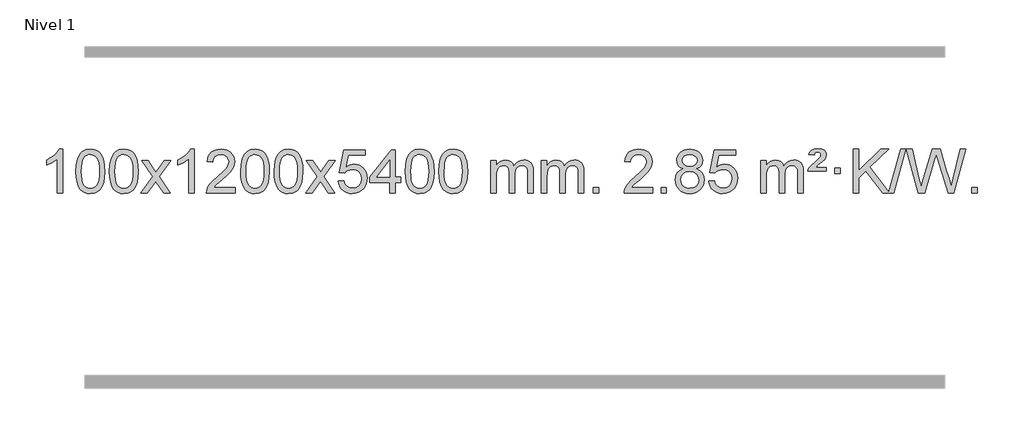
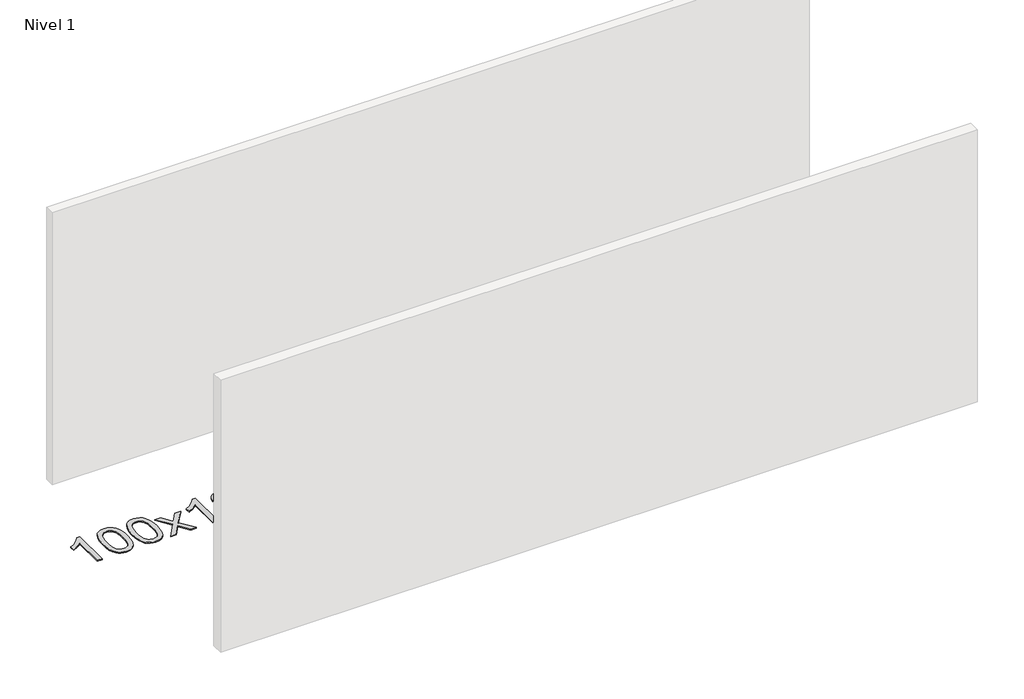
# One storey, part 5 of 10: 1 proxy.
"""IFC4 building model written with IfcOpenShell, lengths in millimetres."""

from ifc_helpers import new_model, si_unit, origin, origin_with_axes, place, context, project, spatial, polyline, outline, extrude, element, save

model = new_model("IFC4")

# Units and contexts
model_context = context("Model", 3, world=origin())
ifc_project = project(units=[si_unit("LENGTHUNIT", "METRE", prefix="MILLI")], contexts=[model_context])

# Site, building, storey
site = spatial("IfcSite", under=ifc_project)
building = spatial("IfcBuilding", under=site)
storey = spatial("IfcBuildingStorey", under=building, Name="Nivel 1", Elevation=0.0)

# Proxy
placement = place(None, origin())
element("IfcBuildingElementProxy", 1, Name="Texto de modelo 1", ObjectType="Texto de modelo 1", at=placement, inside=storey, context=model_context, shape_type="SweptSolid", body=[
    extrude(outline(polyline([(-429.2853037, -9420.579453), (-479.5134588, -9420.579453), (-479.5134588, -9107.4382987), (-500.4827325, -9124.3976587), (-527.0928635, -9141.3324932), (-579.9697689, -9166.6918254), (-579.9697689, -9119.2105225), (-540.5205563, -9097.7507395), (-506.3443189, -9072.219729), (-479.4030942, -9045.0700378), (-461.6589193, -9018.7542124), (-429.2853037, -9018.7542124), (-429.2853037, -9420.579453)])), origin_with_axes(), (0.0, 0.0, 1.0), 10.0),
    extrude(outline(polyline([(-309.9934354, -9222.9041943), (-306.3023527, -9158.5861588), (-295.2291046, -9107.2911459), (-276.8840558, -9068.2343407), (-265.0259928, -9053.0009605), (-251.3775708, -9040.6309284), (-235.8928045, -9031.0598651), (-218.5257086, -9024.2233914), (-178.1445283, -9018.7542124), (-147.1933898, -9021.991574), (-119.4796128, -9031.7036586), (-96.3030471, -9047.5103217), (-78.9635424, -9069.0314184), (-65.8669434, -9096.0830078), (-55.4190947, -9128.4811488), (-48.5764896, -9169.6226186), (-46.2956212, -9222.9041943), (-49.9499157, -9286.8543477), (-60.9127992, -9338.0267333), (-79.1474834, -9377.1203266), (-90.9779552, -9392.3996922), (-104.6171802, -9404.8341036), (-120.1203406, -9414.4695462), (-137.5426188, -9421.3520052), (-178.1445283, -9426.8579724), (-205.8092543, -9424.4667394), (-230.3347207, -9417.2930405), (-251.7209273, -9405.3368757), (-269.9678743, -9388.5982449), (-287.4790573, -9358.3399508), (-299.9870451, -9320.6381776), (-307.4918378, -9275.4929255), (-309.9934354, -9222.9041943)]), holes=[polyline([(-259.7652803, -9222.8060924), (-258.2937523, -9266.4706195), (-253.8791684, -9301.8148822), (-246.5215285, -9328.8388804), (-236.2208326, -9347.5426142), (-223.7618957, -9360.2682656), (-209.9295327, -9369.3580165), (-194.7237436, -9374.8118671), (-178.1445283, -9376.6298173), (-161.5653131, -9374.8057357), (-146.3595239, -9369.3334911), (-132.5271609, -9360.2130833), (-120.068224, -9347.4445124), (-109.7675281, -9328.7101217), (-102.4098882, -9301.6922549), (-97.9953043, -9266.3909118), (-96.5237763, -9222.8060924), (-97.9462534, -9180.2973278), (-102.2136845, -9145.5753989), (-109.3260697, -9118.6403055), (-119.2834091, -9099.4920476), (-131.5338795, -9086.1440625), (-145.5256581, -9076.6097875), (-161.2587447, -9070.8892225), (-178.7331395, -9068.9823675), (-195.2265156, -9070.6623619), (-210.1747874, -9075.7023452), (-223.5779547, -9084.1023175), (-235.4360177, -9095.8622786), (-246.0800701, -9116.708925), (-253.6829647, -9144.8151094), (-258.2447014, -9180.1808319), (-259.7652803, -9222.8060924)])]), origin_with_axes(), (0.0, 0.0, 1.0), 10.0),
    extrude(outline(polyline([(-2.3459855, -9222.9041943), (1.3450971, -9158.5861588), (12.4183452, -9107.2911459), (30.763394, -9068.2343407), (42.621457, -9053.0009605), (56.269879, -9040.6309284), (71.7546453, -9031.0598651), (89.1217412, -9024.2233914), (129.5029215, -9018.7542124), (160.4540601, -9021.991574), (188.167837, -9031.7036586), (211.3444027, -9047.5103217), (228.6839074, -9069.0314184), (241.7805065, -9096.0830078), (252.2283551, -9128.4811488), (259.0709602, -9169.6226186), (261.3518286, -9222.9041943), (257.6975341, -9286.8543477), (246.7346507, -9338.0267333), (228.4999664, -9377.1203266), (216.6694946, -9392.3996922), (203.0302696, -9404.8341036), (187.5271092, -9414.4695462), (170.1048311, -9421.3520052), (129.5029215, -9426.8579724), (101.8381955, -9424.4667394), (77.3127291, -9417.2930405), (55.9265225, -9405.3368757), (37.6795755, -9388.5982449), (20.1683926, -9358.3399508), (7.6604047, -9320.6381776), (0.155612, -9275.4929255), (-2.3459855, -9222.9041943)]), holes=[polyline([(47.8821695, -9222.8060924), (49.3536975, -9266.4706195), (53.7682815, -9301.8148822), (61.1259214, -9328.8388804), (71.4266172, -9347.5426142), (83.8855541, -9360.2682656), (97.7179171, -9369.3580165), (112.9237063, -9374.8118671), (129.5029215, -9376.6298173), (146.0821368, -9374.8057357), (161.2879259, -9369.3334911), (175.1202889, -9360.2130833), (187.5792258, -9347.4445124), (197.8799217, -9328.7101217), (205.2375616, -9301.6922549), (209.6521455, -9266.3909118), (211.1236735, -9222.8060924), (209.7011965, -9180.2973278), (205.4337653, -9145.5753989), (198.3213801, -9118.6403055), (188.3640408, -9099.4920476), (176.1135703, -9086.1440625), (162.1217918, -9076.6097875), (146.3887051, -9070.8892225), (128.9143103, -9068.9823675), (112.4209342, -9070.6623619), (97.4726625, -9075.7023452), (84.0694951, -9084.1023175), (72.2114321, -9095.8622786), (61.5673797, -9116.708925), (53.9644852, -9144.8151094), (49.4027484, -9180.1808319), (47.8821695, -9222.8060924)])]), origin_with_axes(), (0.0, 0.0, 1.0), 10.0),
    extrude(outline(polyline([(286.4659061, -9420.579453), (393.7893469, -9272.2494325), (292.7444255, -9125.4890419), (353.1751746, -9125.4890419), (401.9318017, -9196.122385), (424.6914345, -9229.4770192), (444.4099094, -9202.2047007), (499.9355652, -9125.4890419), (560.3663143, -9125.4890419), (454.2200959, -9272.2494325), (556.4422397, -9420.579453), (496.0114906, -9420.579453), (434.501621, -9331.4048574), (423.2199065, -9315.1199477), (346.8966552, -9420.579453), (286.4659061, -9420.579453)])), origin_with_axes(), (0.0, 0.0, 1.0), 10.0),
    extrude(outline(polyline([(776.1904181, -9420.579453), (725.962263, -9420.579453), (725.962263, -9107.4382987), (704.9929893, -9124.3976587), (678.3828583, -9141.3324932), (625.5059529, -9166.6918254), (625.5059529, -9119.2105225), (664.9551655, -9097.7507395), (699.1314029, -9072.219729), (726.0726276, -9045.0700378), (743.8168025, -9018.7542124), (776.1904181, -9018.7542124), (776.1904181, -9420.579453)])), origin_with_axes(), (0.0, 0.0, 1.0), 10.0),
    extrude(outline(polyline([(1152.9015812, -9370.3512979), (1152.9015812, -9420.579453), (889.203767, -9420.579453), (890.307413, -9402.8965918), (894.5993696, -9385.9494945), (906.9847301, -9358.8856424), (925.1090498, -9332.6311307), (951.3267733, -9305.1503456), (987.9923455, -9274.4076736), (1042.1936261, -9226.2641831), (1074.7143945, -9190.7267824), (1090.9747787, -9161.884834), (1096.3949067, -9133.8277005), (1091.281347, -9108.6768347), (1075.9406678, -9087.7688747), (1052.3594319, -9073.6789943), (1022.5242021, -9068.9823675), (991.1929188, -9073.5686297), (966.8513935, -9087.3274163), (951.1428323, -9109.1796068), (945.7104415, -9138.0460807), (895.4822864, -9131.7675613), (899.8018342, -9105.838012), (907.6591805, -9083.1826125), (919.0543253, -9063.8013627), (933.9872686, -9047.6942627), (952.1146539, -9035.0329907), (973.0931247, -9025.989225), (996.9226809, -9020.5629655), (1023.6033226, -9018.7542124), (1050.5230876, -9020.7653006), (1074.4814025, -9026.7985654), (1095.4782674, -9036.8540066), (1113.5136822, -9050.9316242), (1127.9990358, -9067.9890861), (1138.3457169, -9086.9840598), (1144.5537256, -9107.9165453), (1146.6230618, -9130.7865427), (1144.3912444, -9154.8092369), (1137.695792, -9178.4149983), (1125.8132036, -9202.4254299), (1108.0199778, -9227.6621347), (1079.6562759, -9257.7916701), (1036.0622595, -9296.4805933), (978.2802608, -9344.795762), (955.6187299, -9370.3512979), (1152.9015812, -9370.3512979)])), origin_with_axes(), (0.0, 0.0, 1.0), 10.0),
    extrude(outline(polyline([(1203.1297362, -9222.9041943), (1206.8208189, -9158.5861588), (1217.894067, -9107.2911459), (1236.2391158, -9068.2343407), (1248.0971788, -9053.0009605), (1261.7456008, -9040.6309284), (1277.2303671, -9031.0598651), (1294.597463, -9024.2233914), (1334.9786433, -9018.7542124), (1365.9297818, -9021.991574), (1393.6435588, -9031.7036586), (1416.8201245, -9047.5103217), (1434.1596292, -9069.0314184), (1447.2562282, -9096.0830078), (1457.7040769, -9128.4811488), (1464.546682, -9169.6226186), (1466.8275504, -9222.9041943), (1463.1732559, -9286.8543477), (1452.2103725, -9338.0267333), (1433.9756882, -9377.1203266), (1422.1452164, -9392.3996922), (1408.5059914, -9404.8341036), (1393.002831, -9414.4695462), (1375.5805529, -9421.3520052), (1334.9786433, -9426.8579724), (1307.3139173, -9424.4667394), (1282.7884509, -9417.2930405), (1261.4022443, -9405.3368757), (1243.1552973, -9388.5982449), (1225.6441144, -9358.3399508), (1213.1361265, -9320.6381776), (1205.6313338, -9275.4929255), (1203.1297362, -9222.9041943)]), holes=[polyline([(1253.3578913, -9222.8060924), (1254.8294193, -9266.4706195), (1259.2440032, -9301.8148822), (1266.6016432, -9328.8388804), (1276.902339, -9347.5426142), (1289.3612759, -9360.2682656), (1303.1936389, -9369.3580165), (1318.3994281, -9374.8118671), (1334.9786433, -9376.6298173), (1351.5578586, -9374.8057357), (1366.7636477, -9369.3334911), (1380.5960107, -9360.2130833), (1393.0549476, -9347.4445124), (1403.3556435, -9328.7101217), (1410.7132834, -9301.6922549), (1415.1278673, -9266.3909118), (1416.5993953, -9222.8060924), (1415.1769183, -9180.2973278), (1410.9094871, -9145.5753989), (1403.7971019, -9118.6403055), (1393.8397625, -9099.4920476), (1381.5892921, -9086.1440625), (1367.5975136, -9076.6097875), (1351.8644269, -9070.8892225), (1334.3900321, -9068.9823675), (1317.896656, -9070.6623619), (1302.9483843, -9075.7023452), (1289.5452169, -9084.1023175), (1277.6871539, -9095.8622786), (1267.0431015, -9116.708925), (1259.440207, -9144.8151094), (1254.8784702, -9180.1808319), (1253.3578913, -9222.8060924)])]), origin_with_axes(), (0.0, 0.0, 1.0), 10.0),
    extrude(outline(polyline([(1510.7771861, -9222.9041943), (1514.4682688, -9158.5861588), (1525.5415168, -9107.2911459), (1543.8865656, -9068.2343407), (1555.7446286, -9053.0009605), (1569.3930506, -9040.6309284), (1584.877817, -9031.0598651), (1602.2449128, -9024.2233914), (1642.6260932, -9018.7542124), (1673.5772317, -9021.991574), (1701.2910087, -9031.7036586), (1724.4675743, -9047.5103217), (1741.8070791, -9069.0314184), (1754.9036781, -9096.0830078), (1765.3515267, -9128.4811488), (1772.1941319, -9169.6226186), (1774.4750002, -9222.9041943), (1770.8207057, -9286.8543477), (1759.8578223, -9338.0267333), (1741.6231381, -9377.1203266), (1729.7926662, -9392.3996922), (1716.1534413, -9404.8341036), (1700.6502808, -9414.4695462), (1683.2280027, -9421.3520052), (1642.6260932, -9426.8579724), (1614.9613671, -9424.4667394), (1590.4359008, -9417.2930405), (1569.0496941, -9405.3368757), (1550.8027472, -9388.5982449), (1533.2915642, -9358.3399508), (1520.7835764, -9320.6381776), (1513.2787836, -9275.4929255), (1510.7771861, -9222.9041943)]), holes=[polyline([(1561.0053412, -9222.8060924), (1562.4768691, -9266.4706195), (1566.8914531, -9301.8148822), (1574.249093, -9328.8388804), (1584.5497888, -9347.5426142), (1597.0087258, -9360.2682656), (1610.8410888, -9369.3580165), (1626.0468779, -9374.8118671), (1642.6260932, -9376.6298173), (1659.2053084, -9374.8057357), (1674.4110975, -9369.3334911), (1688.2434606, -9360.2130833), (1700.7023975, -9347.4445124), (1711.0030933, -9328.7101217), (1718.3607332, -9301.6922549), (1722.7753172, -9266.3909118), (1724.2468452, -9222.8060924), (1722.8243681, -9180.2973278), (1718.556937, -9145.5753989), (1711.4445517, -9118.6403055), (1701.4872124, -9099.4920476), (1689.2367419, -9086.1440625), (1675.2449634, -9076.6097875), (1659.5118767, -9070.8892225), (1642.037482, -9068.9823675), (1625.5441058, -9070.6623619), (1610.5958341, -9075.7023452), (1597.1926667, -9084.1023175), (1585.3346038, -9095.8622786), (1574.6905514, -9116.708925), (1567.0876568, -9144.8151094), (1562.5259201, -9180.1808319), (1561.0053412, -9222.8060924)])]), origin_with_axes(), (0.0, 0.0, 1.0), 10.0),
    extrude(outline(polyline([(1799.5890778, -9420.579453), (1906.9125185, -9272.2494325), (1805.8675971, -9125.4890419), (1866.2983462, -9125.4890419), (1915.0549733, -9196.122385), (1937.8146061, -9229.4770192), (1957.533081, -9202.2047007), (2013.0587368, -9125.4890419), (2073.4894859, -9125.4890419), (1967.3432676, -9272.2494325), (2069.5654113, -9420.579453), (2009.1346622, -9420.579453), (1947.6247926, -9331.4048574), (1936.3430781, -9315.1199477), (1860.0198268, -9420.579453), (1799.5890778, -9420.579453)])), origin_with_axes(), (0.0, 0.0, 1.0), 10.0),
    extrude(outline(polyline([(2100.9580082, -9313.8446235), (2151.1861633, -9307.5661041), (2160.4077386, -9337.7201649), (2176.4964446, -9359.3148381), (2199.3787047, -9372.3010725), (2228.9809425, -9376.6298173), (2248.1108063, -9375.1245668), (2264.9843271, -9370.6088153), (2279.6015051, -9363.0825628), (2291.9623401, -9352.5458094), (2301.7909207, -9339.519721), (2308.8113355, -9324.5254641), (2314.4276673, -9288.6324441), (2309.1669547, -9254.8363514), (2302.5910641, -9240.9181493), (2293.3848172, -9228.9865099), (2281.5175571, -9219.4154467), (2266.9586272, -9212.5789729), (2229.7657575, -9207.1097939), (2205.3997066, -9209.2925604), (2185.668969, -9215.8408599), (2169.9113568, -9225.8717757), (2157.4646827, -9238.5023908), (2107.2365276, -9232.2238715), (2151.1861633, -9025.0327318), (2345.8202642, -9025.0327318), (2345.8202642, -9075.2608869), (2191.8003356, -9075.2608869), (2170.316027, -9185.919791), (2188.0418078, -9173.2155994), (2206.1967843, -9164.1411769), (2224.7809564, -9158.6965234), (2243.7943242, -9156.8816388), (2268.2554112, -9159.1318504), (2290.7238041, -9165.882485), (2311.1995028, -9177.1335427), (2329.6825073, -9192.8850234), (2344.9833327, -9212.1743027), (2355.9124936, -9234.038756), (2362.4699902, -9258.4783832), (2364.6558224, -9285.4931844), (2362.6876537, -9311.5147042), (2356.7831477, -9335.7213394), (2346.9423043, -9358.1130902), (2333.1651236, -9378.6899565), (2312.2939517, -9399.7634634), (2287.9401636, -9414.8159684), (2260.1037593, -9423.8474714), (2228.7847388, -9426.8579724), (2202.8643866, -9424.9235262), (2179.4517632, -9419.1201877), (2158.5468689, -9409.447957), (2140.1497034, -9395.9068338), (2124.8427467, -9379.1712688), (2113.2084787, -9359.915712), (2105.2468991, -9338.1401636), (2100.9580082, -9313.8446235)])), origin_with_axes(), (0.0, 0.0, 1.0), 10.0),
    extrude(outline(polyline([(2571.846962, -9420.579453), (2571.846962, -9326.4016622), (2389.7698999, -9326.4016622), (2389.7698999, -9276.1735072), (2584.4040008, -9025.0327318), (2622.0751171, -9025.0327318), (2622.0751171, -9276.1735072), (2672.3032722, -9276.1735072), (2672.3032722, -9326.4016622), (2622.0751171, -9326.4016622), (2622.0751171, -9420.579453), (2571.846962, -9420.579453)]), holes=[polyline([(2571.846962, -9276.1735072), (2571.846962, -9120.9763561), (2451.5740751, -9276.1735072), (2571.846962, -9276.1735072)])]), origin_with_axes(), (0.0, 0.0, 1.0), 10.0),
    extrude(outline(polyline([(2716.2529079, -9222.9041943), (2719.9439906, -9158.5861588), (2731.0172386, -9107.2911459), (2749.3622874, -9068.2343407), (2761.2203504, -9053.0009605), (2774.8687724, -9040.6309284), (2790.3535388, -9031.0598651), (2807.7206346, -9024.2233914), (2848.1018149, -9018.7542124), (2879.0529535, -9021.991574), (2906.7667304, -9031.7036586), (2929.9432961, -9047.5103217), (2947.2828008, -9069.0314184), (2960.3793999, -9096.0830078), (2970.8272485, -9128.4811488), (2977.6698537, -9169.6226186), (2979.950722, -9222.9041943), (2976.2964275, -9286.8543477), (2965.3335441, -9338.0267333), (2947.0988599, -9377.1203266), (2935.268388, -9392.3996922), (2921.6291631, -9404.8341036), (2906.1260026, -9414.4695462), (2888.7037245, -9421.3520052), (2848.1018149, -9426.8579724), (2820.4370889, -9424.4667394), (2795.9116226, -9417.2930405), (2774.5254159, -9405.3368757), (2756.278469, -9388.5982449), (2738.767286, -9358.3399508), (2726.2592981, -9320.6381776), (2718.7545054, -9275.4929255), (2716.2529079, -9222.9041943)]), holes=[polyline([(2766.481063, -9222.8060924), (2767.9525909, -9266.4706195), (2772.3671749, -9301.8148822), (2779.7248148, -9328.8388804), (2790.0255106, -9347.5426142), (2802.4844475, -9360.2682656), (2816.3168106, -9369.3580165), (2831.5225997, -9374.8118671), (2848.1018149, -9376.6298173), (2864.6810302, -9374.8057357), (2879.8868193, -9369.3334911), (2893.7191824, -9360.2130833), (2906.1781193, -9347.4445124), (2916.4788151, -9328.7101217), (2923.836455, -9301.6922549), (2928.251039, -9266.3909118), (2929.7225669, -9222.8060924), (2928.3000899, -9180.2973278), (2924.0326588, -9145.5753989), (2916.9202735, -9118.6403055), (2906.9629342, -9099.4920476), (2894.7124637, -9086.1440625), (2880.7206852, -9076.6097875), (2864.9875985, -9070.8892225), (2847.5132038, -9068.9823675), (2831.0198276, -9070.6623619), (2816.0715559, -9075.7023452), (2802.6683885, -9084.1023175), (2790.8103256, -9095.8622786), (2780.1662732, -9116.708925), (2772.5633786, -9144.8151094), (2768.0016419, -9180.1808319), (2766.481063, -9222.8060924)])]), origin_with_axes(), (0.0, 0.0, 1.0), 10.0),
    extrude(outline(polyline([(3023.9003577, -9222.9041943), (3027.5914404, -9158.5861588), (3038.6646885, -9107.2911459), (3057.0097373, -9068.2343407), (3068.8678003, -9053.0009605), (3082.5162223, -9040.6309284), (3098.0009886, -9031.0598651), (3115.3680844, -9024.2233914), (3155.7492648, -9018.7542124), (3186.7004033, -9021.991574), (3214.4141803, -9031.7036586), (3237.590746, -9047.5103217), (3254.9302507, -9069.0314184), (3268.0268497, -9096.0830078), (3278.4746984, -9128.4811488), (3285.3173035, -9169.6226186), (3287.5981719, -9222.9041943), (3283.9438774, -9286.8543477), (3272.9809939, -9338.0267333), (3254.7463097, -9377.1203266), (3242.9158379, -9392.3996922), (3229.2766129, -9404.8341036), (3213.7734525, -9414.4695462), (3196.3511743, -9421.3520052), (3155.7492648, -9426.8579724), (3128.0845387, -9424.4667394), (3103.5590724, -9417.2930405), (3082.1728657, -9405.3368757), (3063.9259188, -9388.5982449), (3046.4147358, -9358.3399508), (3033.906748, -9320.6381776), (3026.4019553, -9275.4929255), (3023.9003577, -9222.9041943)]), holes=[polyline([(3074.1285128, -9222.8060924), (3075.6000408, -9266.4706195), (3080.0146247, -9301.8148822), (3087.3722646, -9328.8388804), (3097.6729605, -9347.5426142), (3110.1318974, -9360.2682656), (3123.9642604, -9369.3580165), (3139.1700495, -9374.8118671), (3155.7492648, -9376.6298173), (3172.32848, -9374.8057357), (3187.5342692, -9369.3334911), (3201.3666322, -9360.2130833), (3213.8255691, -9347.4445124), (3224.126265, -9328.7101217), (3231.4839049, -9301.6922549), (3235.8984888, -9266.3909118), (3237.3700168, -9222.8060924), (3235.9475397, -9180.2973278), (3231.6801086, -9145.5753989), (3224.5677233, -9118.6403055), (3214.610384, -9099.4920476), (3202.3599136, -9086.1440625), (3188.368135, -9076.6097875), (3172.6350484, -9070.8892225), (3155.1606536, -9068.9823675), (3138.6672775, -9070.6623619), (3123.7190057, -9075.7023452), (3110.3158384, -9084.1023175), (3098.4577754, -9095.8622786), (3087.813723, -9116.708925), (3080.2108284, -9144.8151094), (3075.6490917, -9180.1808319), (3074.1285128, -9222.8060924)])]), origin_with_axes(), (0.0, 0.0, 1.0), 10.0),
    extrude(outline(polyline([(3501.0678309, -9420.579453), (3501.0678309, -9125.4890419), (3551.295986, -9125.4890419), (3551.295986, -9174.0494653), (3566.4036733, -9151.7435537), (3585.8278426, -9134.2691589), (3608.9063064, -9122.9751816), (3634.9768772, -9119.2105225), (3662.9113833, -9123.048758), (3685.3031341, -9134.5634645), (3702.0295022, -9152.9943524), (3712.9678601, -9177.5811324), (3731.2761208, -9152.0439906), (3752.1595554, -9133.803175), (3775.6181639, -9122.8586857), (3801.6519464, -9119.2105225), (3821.7597632, -9120.7280358), (3839.4089019, -9125.2805755), (3854.5993626, -9132.8681416), (3867.3311453, -9143.4907342), (3877.3957836, -9157.2709806), (3884.5848109, -9174.3315082), (3888.8982273, -9194.6723168), (3890.3360328, -9218.2934066), (3890.3360328, -9420.579453), (3840.1078777, -9420.579453), (3840.1078777, -9239.875817), (3838.942918, -9214.8230531), (3835.4480391, -9197.9372695), (3828.8997396, -9186.3735121), (3818.5745182, -9177.2868268), (3805.2939782, -9171.4007149), (3789.8797226, -9169.4386776), (3762.6687177, -9174.4663982), (3740.4854334, -9189.54956), (3731.8800604, -9201.1194488), (3725.7333654, -9215.7182326), (3720.8160094, -9254.0024856), (3720.8160094, -9420.579453), (3670.5878543, -9420.579453), (3670.5878543, -9234.2840106), (3667.6815865, -9205.8835206), (3658.9627833, -9185.6254854), (3643.6221041, -9173.4853796), (3620.8502086, -9169.4386776), (3601.4996156, -9172.1364789), (3583.6696016, -9180.2298828), (3568.9543218, -9193.5226856), (3558.9479315, -9211.8186835), (3553.2089724, -9237.2025411), (3551.295986, -9271.7589232), (3551.295986, -9420.579453), (3501.0678309, -9420.579453)])), origin_with_axes(), (0.0, 0.0, 1.0), 10.0),
    extrude(outline(polyline([(3965.6782654, -9420.579453), (3965.6782654, -9125.4890419), (4015.9064204, -9125.4890419), (4015.9064204, -9174.0494653), (4031.0141077, -9151.7435537), (4050.4382771, -9134.2691589), (4073.5167409, -9122.9751816), (4099.5873116, -9119.2105225), (4127.5218178, -9123.048758), (4149.9135685, -9134.5634645), (4166.6399366, -9152.9943524), (4177.5782946, -9177.5811324), (4195.8865552, -9152.0439906), (4216.7699898, -9133.803175), (4240.2285984, -9122.8586857), (4266.2623809, -9119.2105225), (4286.3701976, -9120.7280358), (4304.0193363, -9125.2805755), (4319.209797, -9132.8681416), (4331.9415798, -9143.4907342), (4342.006218, -9157.2709806), (4349.1952453, -9174.3315082), (4353.5086617, -9194.6723168), (4354.9464672, -9218.2934066), (4354.9464672, -9420.579453), (4304.7183121, -9420.579453), (4304.7183121, -9239.875817), (4303.5533525, -9214.8230531), (4300.0584735, -9197.9372695), (4293.510174, -9186.3735121), (4283.1849527, -9177.2868268), (4269.9044126, -9171.4007149), (4254.490157, -9169.4386776), (4227.2791521, -9174.4663982), (4205.0958678, -9189.54956), (4196.4904948, -9201.1194488), (4190.3437998, -9215.7182326), (4185.4264438, -9254.0024856), (4185.4264438, -9420.579453), (4135.1982887, -9420.579453), (4135.1982887, -9234.2840106), (4132.292021, -9205.8835206), (4123.5732177, -9185.6254854), (4108.2325385, -9173.4853796), (4085.460643, -9169.4386776), (4066.11005, -9172.1364789), (4048.280036, -9180.2298828), (4033.5647562, -9193.5226856), (4023.5583659, -9211.8186835), (4017.8194068, -9237.2025411), (4015.9064204, -9271.7589232), (4015.9064204, -9420.579453), (3965.6782654, -9420.579453)])), origin_with_axes(), (0.0, 0.0, 1.0), 10.0),
    extrude(outline(polyline([(4442.8457386, -9420.579453), (4442.8457386, -9370.3512979), (4493.0738936, -9370.3512979), (4493.0738936, -9420.579453), (4442.8457386, -9420.579453)])), origin_with_axes(), (0.0, 0.0, 1.0), 10.0),
    extrude(outline(polyline([(4989.076925, -9370.3512979), (4989.076925, -9420.579453), (4725.3791109, -9420.579453), (4726.4827569, -9402.8965918), (4730.7747135, -9385.9494945), (4743.160074, -9358.8856424), (4761.2843936, -9332.6311307), (4787.5021171, -9305.1503456), (4824.1676893, -9274.4076736), (4878.3689699, -9226.2641831), (4910.8897383, -9190.7267824), (4927.1501225, -9161.884834), (4932.5702506, -9133.8277005), (4927.4566908, -9108.6768347), (4912.1160116, -9087.7688747), (4888.5347757, -9073.6789943), (4858.6995459, -9068.9823675), (4827.3682627, -9073.5686297), (4803.0267373, -9087.3274163), (4787.3181761, -9109.1796068), (4781.8857853, -9138.0460807), (4731.6576303, -9131.7675613), (4735.977178, -9105.838012), (4743.8345243, -9083.1826125), (4755.2296691, -9063.8013627), (4770.1626124, -9047.6942627), (4788.2899977, -9035.0329907), (4809.2684685, -9025.989225), (4833.0980247, -9020.5629655), (4859.7786664, -9018.7542124), (4886.6984314, -9020.7653006), (4910.6567464, -9026.7985654), (4931.6536112, -9036.8540066), (4949.6890261, -9050.9316242), (4964.1743796, -9067.9890861), (4974.5210607, -9086.9840598), (4980.7290694, -9107.9165453), (4982.7984056, -9130.7865427), (4980.5665882, -9154.8092369), (4973.8711359, -9178.4149983), (4961.9885474, -9202.4254299), (4944.1953216, -9227.6621347), (4915.8316198, -9257.7916701), (4872.2376033, -9296.4805933), (4814.4556046, -9344.795762), (4791.7940737, -9370.3512979), (4989.076925, -9370.3512979)])), origin_with_axes(), (0.0, 0.0, 1.0), 10.0),
    extrude(outline(polyline([(5064.4191576, -9420.579453), (5064.4191576, -9370.3512979), (5114.6473127, -9370.3512979), (5114.6473127, -9420.579453), (5064.4191576, -9420.579453)])), origin_with_axes(), (0.0, 0.0, 1.0), 10.0),
    extrude(outline(polyline([(5269.4520563, -9199.2616447), (5242.5598824, -9186.0178929), (5223.6875361, -9168.0652515), (5212.5407116, -9145.7716026), (5208.8251035, -9119.5048281), (5210.8484544, -9099.0199324), (5216.9185074, -9080.2395565), (5227.0352622, -9063.1637006), (5241.198719, -9047.7923645), (5258.7282961, -9035.088173), (5278.9434117, -9026.0137504), (5301.8440659, -9020.5690969), (5327.4302587, -9018.7542124), (5353.1390788, -9020.6120165), (5376.2114113, -9026.1854287), (5396.6472561, -9035.4744491), (5414.4466133, -9048.4790776), (5428.8675875, -9064.1508506), (5439.1682834, -9081.4413044), (5445.3487009, -9100.3504389), (5447.4088401, -9120.8782543), (5443.7422829, -9146.2989001), (5432.7426112, -9168.2124043), (5414.2871978, -9186.0546811), (5388.2534152, -9199.2616447), (5419.1677656, -9215.1909351), (5441.6698809, -9238.6495436), (5455.3918794, -9268.5092989), (5459.9658788, -9303.6420295), (5457.6972732, -9328.6947933), (5450.8914563, -9351.6628926), (5439.5484281, -9372.5463272), (5423.6681886, -9391.3450971), (5404.0846038, -9406.88198), (5381.6315393, -9417.9797536), (5356.3089953, -9424.6384177), (5328.1169718, -9426.8579724), (5299.9249482, -9424.6292206), (5274.6024042, -9417.9429654), (5252.1493398, -9406.7992066), (5232.5657549, -9391.1979443), (5216.6855154, -9372.26735), (5205.3424872, -9351.135595), (5198.5366703, -9327.8026795), (5196.2680647, -9302.2686033), (5201.0260052, -9265.7747094), (5215.2998266, -9235.7555386), (5238.3537649, -9213.2411605), (5269.4520563, -9199.2616447)]), holes=[polyline([(5259.0532585, -9120.9763561), (5263.5046307, -9142.902123), (5276.8587471, -9160.413306), (5298.7232004, -9171.8912243), (5328.705583, -9175.717197), (5357.9889898, -9171.9157497), (5379.5223492, -9160.5114079), (5392.7661011, -9143.5888361), (5397.180685, -9123.232699), (5392.6189483, -9102.1040098), (5378.933738, -9084.629615), (5357.106073, -9072.8941794), (5328.1169718, -9068.9823675), (5298.9439295, -9072.8083402), (5277.1530527, -9084.2862585), (5263.5782071, -9101.1107284), (5259.0532585, -9120.9763561)]), polyline([(5246.4962198, -9300.5027698), (5248.5931471, -9319.7184726), (5254.8839293, -9338.3210389), (5266.4967376, -9354.5446349), (5284.5597435, -9366.623427), (5306.1912049, -9374.1282197), (5328.5093792, -9376.6298173), (5362.6978793, -9371.3691048), (5376.591556, -9364.7932141), (5388.3515171, -9355.5869672), (5404.3911721, -9331.6869002), (5409.7377238, -9302.0723996), (5404.2194938, -9271.9551269), (5387.6648041, -9247.5277625), (5375.5860119, -9238.0854579), (5361.4225551, -9231.3409547), (5326.8416475, -9225.9453521), (5293.131394, -9231.2673783), (5279.3940672, -9237.919911), (5267.7352736, -9247.2334569), (5251.8059832, -9271.1948375), (5246.4962198, -9300.5027698)])]), origin_with_axes(), (0.0, 0.0, 1.0), 10.0),
    extrude(outline(polyline([(5503.9155145, -9313.8446235), (5554.1436696, -9307.5661041), (5563.3652449, -9337.7201649), (5579.4539509, -9359.3148381), (5602.336211, -9372.3010725), (5631.9384489, -9376.6298173), (5651.0683126, -9375.1245668), (5667.9418334, -9370.6088153), (5682.5590114, -9363.0825628), (5694.9198464, -9352.5458094), (5704.7484271, -9339.519721), (5711.7688418, -9324.5254641), (5717.3851736, -9288.6324441), (5712.1244611, -9254.8363514), (5705.5485704, -9240.9181493), (5696.3423235, -9228.9865099), (5684.4750634, -9219.4154467), (5669.9161335, -9212.5789729), (5632.7232638, -9207.1097939), (5608.357213, -9209.2925604), (5588.6264753, -9215.8408599), (5572.8688632, -9225.8717757), (5560.422189, -9238.5023908), (5510.1940339, -9232.2238715), (5554.1436696, -9025.0327318), (5748.7777705, -9025.0327318), (5748.7777705, -9075.2608869), (5594.7578419, -9075.2608869), (5573.2735334, -9185.919791), (5590.9993142, -9173.2155994), (5609.1542906, -9164.1411769), (5627.7384627, -9158.6965234), (5646.7518305, -9156.8816388), (5671.2129175, -9159.1318504), (5693.6813104, -9165.882485), (5714.1570091, -9177.1335427), (5732.6400137, -9192.8850234), (5747.940839, -9212.1743027), (5758.8699999, -9234.038756), (5765.4274965, -9258.4783832), (5767.6133287, -9285.4931844), (5765.64516, -9311.5147042), (5759.740654, -9335.7213394), (5749.8998106, -9358.1130902), (5736.1226299, -9378.6899565), (5715.251458, -9399.7634634), (5690.8976699, -9414.8159684), (5663.0612656, -9423.8474714), (5631.7422451, -9426.8579724), (5605.8218929, -9424.9235262), (5582.4092696, -9419.1201877), (5561.5043752, -9409.447957), (5543.1072097, -9395.9068338), (5527.8002531, -9379.1712688), (5516.165985, -9359.915712), (5508.2044055, -9338.1401636), (5503.9155145, -9313.8446235)])), origin_with_axes(), (0.0, 0.0, 1.0), 10.0),
    extrude(outline(polyline([(5981.0829877, -9420.579453), (5981.0829877, -9125.4890419), (6031.3111428, -9125.4890419), (6031.3111428, -9174.0494653), (6046.4188301, -9151.7435537), (6065.8429994, -9134.2691589), (6088.9214633, -9122.9751816), (6114.992034, -9119.2105225), (6142.9265402, -9123.048758), (6165.3182909, -9134.5634645), (6182.044659, -9152.9943524), (6192.983017, -9177.5811324), (6211.2912776, -9152.0439906), (6232.1747122, -9133.803175), (6255.6333207, -9122.8586857), (6281.6671033, -9119.2105225), (6301.77492, -9120.7280358), (6319.4240587, -9125.2805755), (6334.6145194, -9132.8681416), (6347.3463021, -9143.4907342), (6357.4109404, -9157.2709806), (6364.5999677, -9174.3315082), (6368.9133841, -9194.6723168), (6370.3511896, -9218.2934066), (6370.3511896, -9420.579453), (6320.1230345, -9420.579453), (6320.1230345, -9239.875817), (6318.9580748, -9214.8230531), (6315.4631959, -9197.9372695), (6308.9148964, -9186.3735121), (6298.589675, -9177.2868268), (6285.309135, -9171.4007149), (6269.8948794, -9169.4386776), (6242.6838745, -9174.4663982), (6220.5005902, -9189.54956), (6211.8952172, -9201.1194488), (6205.7485222, -9215.7182326), (6200.8311662, -9254.0024856), (6200.8311662, -9420.579453), (6150.6030111, -9420.579453), (6150.6030111, -9234.2840106), (6147.6967434, -9205.8835206), (6138.9779401, -9185.6254854), (6123.6372609, -9173.4853796), (6100.8653654, -9169.4386776), (6081.5147724, -9172.1364789), (6063.6847584, -9180.2298828), (6048.9694786, -9193.5226856), (6038.9630883, -9211.8186835), (6033.2241292, -9237.2025411), (6031.3111428, -9271.7589232), (6031.3111428, -9420.579453), (5981.0829877, -9420.579453)])), origin_with_axes(), (0.0, 0.0, 1.0), 10.0),
    extrude(outline(polyline([(6414.3008253, -9219.6668327), (6418.126798, -9203.8479069), (6426.4654566, -9187.9799302), (6447.9742906, -9162.8413272), (6479.9309732, -9135.1030247), (6524.0768126, -9097.726214), (6531.2137233, -9086.1992448), (6533.5926936, -9074.3779701), (6531.7042327, -9062.2869152), (6526.0388499, -9052.5012541), (6516.6701218, -9046.026531), (6503.6716246, -9043.8682899), (6491.2372132, -9045.4869707), (6482.3835198, -9050.343013), (6475.9578477, -9059.8098431), (6470.8074997, -9075.2608869), (6420.5793446, -9068.9823675), (6431.4196008, -9043.7701881), (6448.047867, -9026.2099542), (6471.8130438, -9015.9092583), (6504.0640321, -9012.475693), (6539.8466875, -9016.6082341), (6564.592883, -9029.0058573), (6579.0138572, -9047.3386434), (6583.8208486, -9069.2766731), (6579.7250958, -9092.1834586), (6567.4378371, -9113.8149199), (6546.9100218, -9133.6314968), (6510.4406533, -9161.6886303), (6484.8360665, -9188.2742358), (6583.8208486, -9188.2742358), (6583.8208486, -9219.6668327), (6414.3008253, -9219.6668327)])), origin_with_axes(), (0.0, 0.0, 1.0), 10.0),
    extrude(outline(polyline([(6659.1630812, -9244.7809102), (6659.1630812, -9194.5527552), (6709.3912363, -9194.5527552), (6709.3912363, -9244.7809102), (6659.1630812, -9244.7809102)])), origin_with_axes(), (0.0, 0.0, 1.0), 10.0),
    extrude(outline(polyline([(7100.0328643, -9420.579453), (6946.6015468, -9217.9009991), (6878.9112597, -9282.4520265), (6878.9112597, -9420.579453), (6828.6831046, -9420.579453), (6828.6831046, -9018.7542124), (6878.9112597, -9018.7542124), (6878.9112597, -9215.4484525), (7084.925177, -9018.7542124), (7155.1661126, -9018.7542124), (6982.2125239, -9183.9577537), (7156.8661338, -9414.5349332), (7268.1794615, -9018.7542124), (7313.5025233, -9018.7542124), (7200.4891744, -9420.579453), (7161.444632, -9420.579453), (7155.1661126, -9420.579453), (7100.0328643, -9420.579453)])), origin_with_axes(), (0.0, 0.0, 1.0), 10.0),
    extrude(outline(polyline([(7427.9874002, -9420.579453), (7318.4076166, -9018.7542124), (7370.2054015, -9018.7542124), (7433.7754103, -9282.844434), (7453.3957834, -9364.3670841), (7474.3895826, -9292.2622131), (7554.0482973, -9018.7542124), (7628.7038168, -9018.7542124), (7686.5839174, -9217.0180823), (7711.3791639, -9290.5944814), (7729.6506363, -9364.3670841), (7748.6823982, -9285.1988788), (7812.8410181, -9018.7542124), (7864.638803, -9018.7542124), (7754.9609175, -9420.579453), (7701.2991972, -9420.579453), (7604.9631654, -9110.5775584), (7591.5232098, -9067.3146358), (7576.4155226, -9119.4067263), (7488.614353, -9420.579453), (7427.9874002, -9420.579453)])), origin_with_axes(), (0.0, 0.0, 1.0), 10.0),
    extrude(outline(polyline([(7921.1454775, -9420.579453), (7921.1454775, -9370.3512979), (7971.3736326, -9370.3512979), (7971.3736326, -9420.579453), (7921.1454775, -9420.579453)])), origin_with_axes(), (0.0, 0.0, 1.0), 10.0),
])

save(model, "model.ifc")
